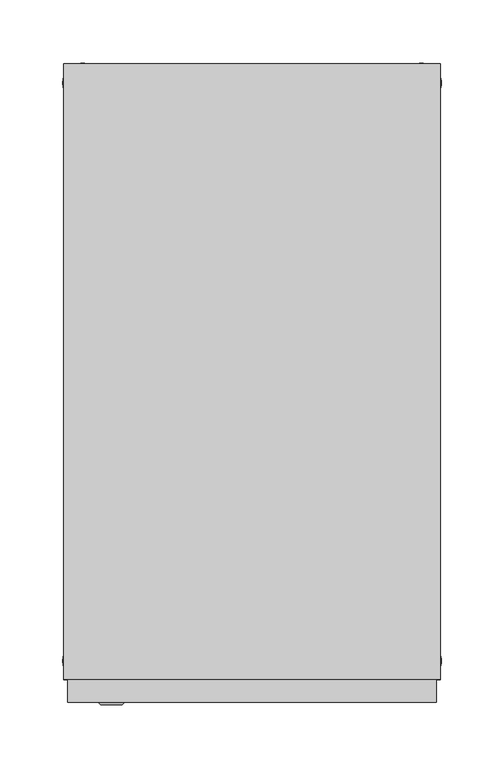
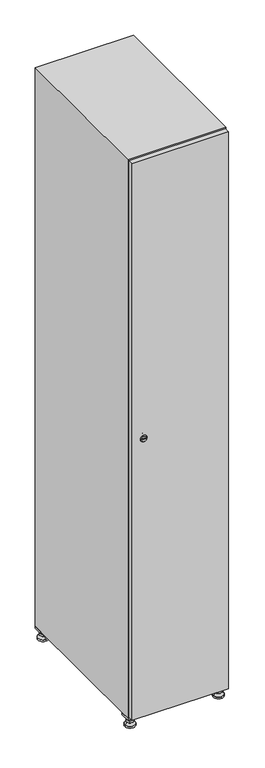
"""IFC4 building model written with IfcOpenShell, lengths in millimetres: furniture geometry."""

from ifc_helpers import new_model, si_unit, point, frame, frame_2d, origin, origin_with_axes, place, context, project, spatial, polyline, circle_curve, trimmed, segment, composite_curve, outline, extrude, faceted_brep, source, transform, mapped, element, save
from ifc_brep_helpers import plane_surface, revolved_surface, advanced_brep


def furniture_11b97132(model_context):
    return source(origin(), model_context, "Body", "SolidModel", [
        extrude(outline(polyline([(100.0, 245.0), (100.0, 215.0), (70.0, 215.0), (70.0, 245.0), (100.0, 245.0)]), holes=[polyline([(98.0, 243.0), (72.0, 243.0), (72.0, 217.0), (98.0, 217.0), (98.0, 243.0)])]), frame((0.0, 0.0, 28.5), z_axis=(0.0, 0.0, 1.0), x_axis=(1.0, 0.0, 0.0)), (0.0, 0.0, 1.0), 6.5),
        extrude(outline(polyline([(70.0, -245.0), (70.0, -215.0), (100.0, -215.0), (100.0, -245.0), (70.0, -245.0)]), holes=[polyline([(72.0, -243.0), (98.0, -243.0), (98.0, -217.0), (72.0, -217.0), (72.0, -243.0)])]), frame((0.0, 0.0, 28.5), z_axis=(0.0, 0.0, 1.0), x_axis=(1.0, 0.0, 0.0)), (0.0, 0.0, 1.0), 6.5),
        extrude(outline(polyline([(-170.0, 245.0), (-170.0, 215.0), (-200.0, 215.0), (-200.0, 245.0), (-170.0, 245.0)]), holes=[polyline([(-172.0, 243.0), (-198.0, 243.0), (-198.0, 217.0), (-172.0, 217.0), (-172.0, 243.0)])]), frame((0.0, 0.0, 28.5), z_axis=(0.0, 0.0, 1.0), x_axis=(1.0, 0.0, 0.0)), (0.0, 0.0, 1.0), 6.5),
        extrude(outline(polyline([(-170.0, -215.0), (-170.0, -245.0), (-200.0, -245.0), (-200.0, -215.0), (-170.0, -215.0)]), holes=[polyline([(-198.0, -243.0), (-172.0, -243.0), (-172.0, -217.0), (-198.0, -217.0), (-198.0, -243.0)])]), frame((0.0, 0.0, 28.5), z_axis=(0.0, 0.0, 1.0), x_axis=(1.0, 0.0, 0.0)), (0.0, 0.0, 1.0), 6.5),
        extrude(outline(composite_curve([segment(trimmed(circle_curve(frame_2d((-185.0, 230.0)), 5.0), [point((-180.0, 230.0))], [point((-190.0, 230.0))], False, "CARTESIAN"), True, "CONTINUOUS"), segment(trimmed(circle_curve(frame_2d((-185.0, 230.0)), 5.0), [point((-190.0, 230.0))], [point((-180.0, 230.0))], False, "CARTESIAN"), True, "CONTINUOUS")], self_intersect=False)), frame((0.0, 0.0, 19.6), z_axis=(0.0, 0.0, 1.0), x_axis=(1.0, 0.0, 0.0)), (0.0, 0.0, 1.0), 15.4),
        extrude(outline(composite_curve([segment(trimmed(circle_curve(frame_2d((-185.0, -230.0)), 5.0), [point((-180.0, -230.0))], [point((-190.0, -230.0))], False, "CARTESIAN"), True, "CONTINUOUS"), segment(trimmed(circle_curve(frame_2d((-185.0, -230.0)), 5.0), [point((-190.0, -230.0))], [point((-180.0, -230.0))], False, "CARTESIAN"), True, "CONTINUOUS")], self_intersect=False)), frame((0.0, 0.0, 19.6), z_axis=(0.0, 0.0, 1.0), x_axis=(1.0, 0.0, 0.0)), (0.0, 0.0, 1.0), 15.4),
        extrude(outline(composite_curve([segment(trimmed(circle_curve(frame_2d((85.0, 230.0)), 5.0), [point((90.0, 230.0))], [point((80.0, 230.0))], False, "CARTESIAN"), True, "CONTINUOUS"), segment(trimmed(circle_curve(frame_2d((85.0, 230.0)), 5.0), [point((80.0, 230.0))], [point((90.0, 230.0))], False, "CARTESIAN"), True, "CONTINUOUS")], self_intersect=False)), frame((0.0, 0.0, 19.6), z_axis=(0.0, 0.0, 1.0), x_axis=(1.0, 0.0, 0.0)), (0.0, 0.0, 1.0), 15.4),
        extrude(outline(polyline([(73.4529946, 230.0), (79.2264973, 240.0), (90.7735027, 240.0), (96.5470054, 230.0), (90.7735027, 220.0), (79.2264973, 220.0), (73.4529946, 230.0)])), frame((0.0, 0.0, 13.6), z_axis=(0.0, 0.0, 1.0), x_axis=(1.0, 0.0, 0.0)), (0.0, 0.0, 1.0), 6.0),
        extrude(outline(composite_curve([segment(trimmed(circle_curve(frame_2d((85.0, -230.0)), 5.0), [point((90.0, -230.0))], [point((80.0, -230.0))], False, "CARTESIAN"), True, "CONTINUOUS"), segment(trimmed(circle_curve(frame_2d((85.0, -230.0)), 5.0), [point((80.0, -230.0))], [point((90.0, -230.0))], False, "CARTESIAN"), True, "CONTINUOUS")], self_intersect=False)), frame((0.0, 0.0, 19.6), z_axis=(0.0, 0.0, 1.0), x_axis=(1.0, 0.0, 0.0)), (0.0, 0.0, 1.0), 15.4),
        extrude(outline(polyline([(73.4529946, -230.0), (79.2264973, -220.0), (90.7735027, -220.0), (96.5470054, -230.0), (90.7735027, -240.0), (79.2264973, -240.0), (73.4529946, -230.0)])), frame((0.0, 0.0, 13.6), z_axis=(0.0, 0.0, 1.0), x_axis=(1.0, 0.0, 0.0)), (0.0, 0.0, 1.0), 6.0),
        extrude(outline(composite_curve([segment(trimmed(circle_curve(frame_2d((85.0, 230.0)), 5.0), [point((90.0, 230.0))], [point((80.0, 230.0))], False, "CARTESIAN"), True, "CONTINUOUS"), segment(trimmed(circle_curve(frame_2d((85.0, 230.0)), 5.0), [point((80.0, 230.0))], [point((90.0, 230.0))], False, "CARTESIAN"), True, "CONTINUOUS")], self_intersect=False)), frame((0.0, 0.0, 12.1), z_axis=(0.0, 0.0, 1.0), x_axis=(1.0, 0.0, 0.0)), (0.0, 0.0, 1.0), 1.5),
        extrude(outline(composite_curve([segment(trimmed(circle_curve(frame_2d((85.0, -230.0)), 5.0), [point((90.0, -230.0))], [point((80.0, -230.0))], False, "CARTESIAN"), True, "CONTINUOUS"), segment(trimmed(circle_curve(frame_2d((85.0, -230.0)), 5.0), [point((80.0, -230.0))], [point((90.0, -230.0))], False, "CARTESIAN"), True, "CONTINUOUS")], self_intersect=False)), frame((0.0, 0.0, 12.1), z_axis=(0.0, 0.0, 1.0), x_axis=(1.0, 0.0, 0.0)), (0.0, 0.0, 1.0), 1.5),
        extrude(outline(polyline([(-196.5470054, 230.0), (-190.7735027, 240.0), (-179.2264973, 240.0), (-173.4529946, 230.0), (-179.2264973, 220.0), (-190.7735027, 220.0), (-196.5470054, 230.0)])), frame((0.0, 0.0, 13.6), z_axis=(0.0, 0.0, 1.0), x_axis=(1.0, 0.0, 0.0)), (0.0, 0.0, 1.0), 6.0),
        extrude(outline(polyline([(-196.5470054, -230.0), (-190.7735027, -220.0), (-179.2264973, -220.0), (-173.4529946, -230.0), (-179.2264973, -240.0), (-190.7735027, -240.0), (-196.5470054, -230.0)])), frame((0.0, 0.0, 13.6), z_axis=(0.0, 0.0, 1.0), x_axis=(1.0, 0.0, 0.0)), (0.0, 0.0, 1.0), 6.0),
        extrude(outline(composite_curve([segment(trimmed(circle_curve(frame_2d((-185.0, 230.0)), 5.0), [point((-185.0, 235.0))], [point((-185.0, 225.0))], False, "CARTESIAN"), True, "CONTINUOUS"), segment(trimmed(circle_curve(frame_2d((-185.0, 230.0)), 5.0), [point((-185.0, 225.0))], [point((-185.0, 235.0))], False, "CARTESIAN"), True, "CONTINUOUS")], self_intersect=False)), frame((0.0, 0.0, 12.1), z_axis=(0.0, 0.0, 1.0), x_axis=(1.0, 0.0, 0.0)), (0.0, 0.0, 1.0), 1.5),
        extrude(outline(composite_curve([segment(trimmed(circle_curve(frame_2d((-185.0, -230.0)), 5.0), [point((-180.0, -230.0))], [point((-190.0, -230.0))], False, "CARTESIAN"), True, "CONTINUOUS"), segment(trimmed(circle_curve(frame_2d((-185.0, -230.0)), 5.0), [point((-190.0, -230.0))], [point((-180.0, -230.0))], False, "CARTESIAN"), True, "CONTINUOUS")], self_intersect=False)), frame((0.0, 0.0, 12.1), z_axis=(0.0, 0.0, 1.0), x_axis=(1.0, 0.0, 0.0)), (0.0, 0.0, 1.0), 1.5),
        extrude(outline(composite_curve([segment(trimmed(circle_curve(frame_2d((85.0, 230.0)), 15.75), [point((100.75, 230.0))], [point((69.25, 230.0))], False, "CARTESIAN"), True, "CONTINUOUS"), segment(trimmed(circle_curve(frame_2d((85.0, 230.0)), 15.75), [point((69.25, 230.0))], [point((100.75, 230.0))], False, "CARTESIAN"), True, "CONTINUOUS")], self_intersect=False)), origin_with_axes(), (0.0, 0.0, 1.0), 5.1),
        extrude(outline(composite_curve([segment(trimmed(circle_curve(frame_2d((85.0, -230.0)), 15.75), [point((85.0, -214.25))], [point((85.0, -245.75))], False, "CARTESIAN"), True, "CONTINUOUS"), segment(trimmed(circle_curve(frame_2d((85.0, -230.0)), 15.75), [point((85.0, -245.75))], [point((85.0, -214.25))], False, "CARTESIAN"), True, "CONTINUOUS")], self_intersect=False)), origin_with_axes(), (0.0, 0.0, 1.0), 5.1),
        extrude(outline(composite_curve([segment(trimmed(circle_curve(frame_2d((-185.0, -230.0)), 15.75), [point((-169.25, -230.0))], [point((-200.75, -230.0))], False, "CARTESIAN"), True, "CONTINUOUS"), segment(trimmed(circle_curve(frame_2d((-185.0, -230.0)), 15.75), [point((-200.75, -230.0))], [point((-169.25, -230.0))], False, "CARTESIAN"), True, "CONTINUOUS")], self_intersect=False)), origin_with_axes(), (0.0, 0.0, 1.0), 5.1),
        extrude(outline(composite_curve([segment(trimmed(circle_curve(frame_2d((-185.0, 230.0)), 15.75), [point((-169.25, 230.0))], [point((-200.75, 230.0))], False, "CARTESIAN"), True, "CONTINUOUS"), segment(trimmed(circle_curve(frame_2d((-185.0, 230.0)), 15.75), [point((-200.75, 230.0))], [point((-169.25, 230.0))], False, "CARTESIAN"), True, "CONTINUOUS")], self_intersect=False)), origin_with_axes(), (0.0, 0.0, 1.0), 5.1),
        advanced_brep(
        [(-185.0, 239.5, 12.1), (-185.0, 220.5, 12.1), (-185.0, 214.25, 5.1), (-185.0, 245.75, 5.1)],
        [
            (0, 1, circle_curve(frame((-185.0, 230.0, 12.1), z_axis=(0.0, 0.0, -1.0), x_axis=(0.0, 1.0, 0.0)), 9.5)),
            (1, 2),
            (2, 3, circle_curve(frame((-185.0, 230.0, 5.1), z_axis=(0.0, 0.0, 1.0), x_axis=(0.0, 1.0, 0.0)), 15.75)),
            (3, 0),
            (1, 0, circle_curve(frame((-185.0, 230.0, 12.1), z_axis=(0.0, 0.0, -1.0), x_axis=(0.0, -1.0, 0.0)), 9.5)),
            (3, 2, circle_curve(frame((-185.0, 230.0, 5.1), z_axis=(0.0, 0.0, 1.0), x_axis=(0.0, -1.0, 0.0)), 15.75)),
        ],
        [
            revolved_surface(polyline([(-185.0, 220.5, 12.099999999999998), (-185.0, 214.25, 5.099999999999998)]), (-185.0, 230.0, 22.74), (0.0, 0.0, -1.0)),
            revolved_surface(polyline([(-185.0, 239.5, 12.099999999999998), (-185.0, 245.75, 5.099999999999998)]), (-185.0, 230.0, 22.74), (0.0, 0.0, -1.0)),
            plane_surface(frame((-185.0, 230.0, 5.1), z_axis=(0.0, 0.0, -1.0), x_axis=(1.0, 0.0, 0.0))),
            plane_surface(frame((-185.0, 230.0, 12.1), z_axis=(0.0, 0.0, 1.0), x_axis=(1.0, 0.0, 0.0))),
        ],
        [
            (0, [[1, 2, 3, 4]]),
            (1, [[5, -4, 6, -2]]),
            (2, [[-3, -6]]),
            (3, [[-5, -1]]),
        ],
    ),
        advanced_brep(
        [(85.0, 239.5, 12.1), (85.0, 220.5, 12.1), (85.0, 214.25, 5.1), (85.0, 245.75, 5.1)],
        [
            (0, 1, circle_curve(frame((85.0, 230.0, 12.1), z_axis=(0.0, 0.0, -1.0), x_axis=(0.0, 1.0, 0.0)), 9.5)),
            (1, 2),
            (2, 3, circle_curve(frame((85.0, 230.0, 5.1), z_axis=(0.0, 0.0, 1.0), x_axis=(0.0, 1.0, 0.0)), 15.75)),
            (3, 0),
            (1, 0, circle_curve(frame((85.0, 230.0, 12.1), z_axis=(0.0, 0.0, -1.0), x_axis=(0.0, -1.0, 0.0)), 9.5)),
            (3, 2, circle_curve(frame((85.0, 230.0, 5.1), z_axis=(0.0, 0.0, 1.0), x_axis=(0.0, -1.0, 0.0)), 15.75)),
        ],
        [
            revolved_surface(polyline([(85.0, 220.5, 12.099999999999998), (85.0, 214.25, 5.099999999999998)]), (85.0, 230.0, 22.74), (0.0, 0.0, -1.0)),
            revolved_surface(polyline([(85.0, 239.5, 12.099999999999998), (85.0, 245.75, 5.099999999999998)]), (85.0, 230.0, 22.74), (0.0, 0.0, -1.0)),
            plane_surface(frame((85.0, 230.0, 5.1), z_axis=(0.0, 0.0, -1.0), x_axis=(1.0, 0.0, 0.0))),
            plane_surface(frame((85.0, 230.0, 12.1), z_axis=(0.0, 0.0, 1.0), x_axis=(1.0, 0.0, 0.0))),
        ],
        [
            (0, [[1, 2, 3, 4]]),
            (1, [[5, -4, 6, -2]]),
            (2, [[-3, -6]]),
            (3, [[-5, -1]]),
        ],
    ),
        advanced_brep(
        [(100.75, -230.0, 5.1), (69.25, -230.0, 5.1), (75.5, -230.0, 12.1), (94.5, -230.0, 12.1)],
        [
            (0, 1, circle_curve(frame((85.0, -230.0, 5.1), z_axis=(0.0, 0.0, 1.0), x_axis=(1.0, 0.0, 0.0)), 15.75)),
            (1, 2),
            (2, 3, circle_curve(frame((85.0, -230.0, 12.1), z_axis=(0.0, 0.0, -1.0), x_axis=(1.0, 0.0, 0.0)), 9.5)),
            (3, 0),
            (1, 0, circle_curve(frame((85.0, -230.0, 5.1), z_axis=(0.0, 0.0, 1.0), x_axis=(-1.0, 0.0, 0.0)), 15.75)),
            (3, 2, circle_curve(frame((85.0, -230.0, 12.1), z_axis=(0.0, 0.0, -1.0), x_axis=(-1.0, 0.0, 0.0)), 9.5)),
        ],
        [
            revolved_surface(polyline([(94.5, -230.0, 12.099999999999998), (100.75, -230.0, 5.099999999999998)]), (85.0, -230.0, 22.74), (0.0, 0.0, -1.0)),
            revolved_surface(polyline([(75.5, -230.0, 12.099999999999998), (69.25, -230.0, 5.099999999999998)]), (85.0, -230.0, 22.74), (0.0, 0.0, -1.0)),
            plane_surface(frame((85.0, -230.0, 12.1), z_axis=(0.0, 0.0, 1.0), x_axis=(0.0, 1.0, 0.0))),
            plane_surface(frame((85.0, -230.0, 5.1), z_axis=(0.0, 0.0, -1.0), x_axis=(0.0, 1.0, 0.0))),
        ],
        [
            (0, [[1, 2, 3, 4]]),
            (1, [[5, -4, 6, -2]]),
            (2, [[-3, -6]]),
            (3, [[-5, -1]]),
        ],
    ),
        advanced_brep(
        [(-169.25, -230.0, 5.1), (-200.75, -230.0, 5.1), (-194.5, -230.0, 12.1), (-175.5, -230.0, 12.1)],
        [
            (0, 1, circle_curve(frame((-185.0, -230.0, 5.1), z_axis=(0.0, 0.0, 1.0), x_axis=(1.0, 0.0, 0.0)), 15.75)),
            (1, 2),
            (2, 3, circle_curve(frame((-185.0, -230.0, 12.1), z_axis=(0.0, 0.0, -1.0), x_axis=(1.0, 0.0, 0.0)), 9.5)),
            (3, 0),
            (1, 0, circle_curve(frame((-185.0, -230.0, 5.1), z_axis=(0.0, 0.0, 1.0), x_axis=(-1.0, 0.0, 0.0)), 15.75)),
            (3, 2, circle_curve(frame((-185.0, -230.0, 12.1), z_axis=(0.0, 0.0, -1.0), x_axis=(-1.0, 0.0, 0.0)), 9.5)),
        ],
        [
            revolved_surface(polyline([(-175.5, -230.0, 12.099999999999998), (-169.25, -230.0, 5.099999999999998)]), (-185.0, -230.0, 22.74), (0.0, 0.0, -1.0)),
            revolved_surface(polyline([(-194.5, -230.0, 12.099999999999998), (-200.75, -230.0, 5.099999999999998)]), (-185.0, -230.0, 22.74), (0.0, 0.0, -1.0)),
            plane_surface(frame((-185.0, -230.0, 12.1), z_axis=(0.0, 0.0, 1.0), x_axis=(0.0, 1.0, 0.0))),
            plane_surface(frame((-185.0, -230.0, 5.1), z_axis=(0.0, 0.0, -1.0), x_axis=(0.0, 1.0, 0.0))),
        ],
        [
            (0, [[1, 2, 3, 4]]),
            (1, [[5, -4, 6, -2]]),
            (2, [[-3, -6]]),
            (3, [[-5, -1]]),
        ],
    ),
        extrude(outline(composite_curve([segment(trimmed(circle_curve(frame_2d((935.0, -188.7989466)), 7.0), [point((942.0, -188.7989466))], [point((928.0, -188.7989466))], False, "CARTESIAN"), True, "CONTINUOUS"), segment(polyline([(928.0, -188.7989466), (928.0, -160.7989466)]), True, "CONTINUOUS"), segment(trimmed(circle_curve(frame_2d((935.0, -160.7989466)), 7.0), [point((928.0, -160.7989466))], [point((942.0, -160.7989466))], False, "CARTESIAN"), True, "CONTINUOUS"), segment(polyline([(942.0, -160.7989466), (942.0, -188.7989466)]), True, "CONTINUOUS")], self_intersect=False)), frame((0.0, -245.0, 0.0), z_axis=(0.0, 1.0, 0.0), x_axis=(0.0, 0.0, 1.0)), (0.0, 0.0, 1.0), 2.0),
        advanced_brep(
        [(-153.5, -265.2, 935.0), (-170.5, -265.2, 935.0), (-167.0, -265.2, 933.75), (-167.0, -265.2, 936.25), (-157.0, -265.2, 936.25), (-157.0, -265.2, 933.75), (-151.5, -263.0, 935.0), (-172.5, -263.0, 935.0), (-167.0, -263.0, 936.25), (-167.0, -263.0, 933.75), (-157.0, -263.0, 933.75), (-157.0, -263.0, 936.25)],
        [
            (0, 1, circle_curve(frame((-162.0, -265.2, 935.0), z_axis=(0.0, -1.0, 0.0), x_axis=(1.0, 0.0, 0.0)), 8.5)),
            (1, 0, circle_curve(frame((-162.0, -265.2, 935.0), z_axis=(0.0, -1.0, 0.0), x_axis=(-1.0, 0.0, 0.0)), 8.5)),
            (2, 3),
            (3, 4),
            (4, 5),
            (5, 2),
            (6, 7, circle_curve(frame((-162.0, -263.0, 935.0), z_axis=(0.0, 1.0, 0.0), x_axis=(-1.0, 0.0, 0.0)), 10.5)),
            (7, 6, circle_curve(frame((-162.0, -263.0, 935.0), z_axis=(0.0, 1.0, 0.0), x_axis=(1.0, 0.0, 0.0)), 10.5)),
            (8, 9),
            (9, 10),
            (10, 11),
            (11, 8),
            (0, 6),
            (7, 1),
            (8, 3),
            (2, 9),
            (11, 4),
            (10, 5),
        ],
        [
            plane_surface(frame((-162.0, -265.2, 935.0), z_axis=(0.0, -1.0, 0.0), x_axis=(0.0, 0.0, 1.0))),
            plane_surface(frame((-162.0, -263.0, 935.0), z_axis=(0.0, 1.0, 0.0), x_axis=(0.0, 0.0, 1.0))),
            revolved_surface(polyline([(-153.5, -265.2, 935.0), (-151.5, -263.0, 935.0)]), (-162.0, -274.55, 935.0), (0.0, 1.0, 0.0)),
            revolved_surface(polyline([(-170.5, -265.2, 935.0), (-172.5, -263.0, 935.0)]), (-162.0, -274.55, 935.0), (0.0, 1.0, 0.0)),
            plane_surface(frame((-167.0, -263.0, 933.75), z_axis=(1.0, 0.0, 0.0), x_axis=(0.0, -1.0, 0.0))),
            plane_surface(frame((-167.0, -263.0, 936.25), z_axis=(0.0, 0.0, -1.0), x_axis=(0.0, -1.0, 0.0))),
            plane_surface(frame((-157.0, -263.0, 936.25), z_axis=(-1.0, 0.0, 0.0), x_axis=(0.0, -1.0, 0.0))),
            plane_surface(frame((-157.0, -263.0, 933.75), z_axis=(0.0, 0.0, 1.0), x_axis=(0.0, -1.0, 0.0))),
        ],
        [
            (0, [[1, 2], [3, 4, 5, 6]]),
            (1, [[7, 8], [9, 10, 11, 12]]),
            (2, [[-1, 13, -8, 14]]),
            (3, [[-2, -14, -7, -13]]),
            (4, [[15, -3, 16, -9]]),
            (5, [[-15, -12, 17, -4]]),
            (6, [[-17, -11, 18, -5]]),
            (7, [[-16, -6, -18, -10]]),
        ],
    ),
        extrude(outline(polyline([(97.0, -245.0), (97.0, -263.0), (-197.0, -263.0), (-197.0, -245.0), (97.0, -245.0)])), frame((0.0, 0.0, 38.0), z_axis=(0.0, 0.0, 1.0), x_axis=(1.0, 0.0, 0.0)), (0.0, 0.0, 1.0), 1794.0),
        faceted_brep([(100.0, -245.0, 35.0), (100.0, -245.0, 1835.0), (-200.0, -245.0, 1835.0), (-200.0, -245.0, 35.0), (79.6, -245.0, 1804.8), (79.6, -245.0, 65.2), (-179.6, -245.0, 65.2), (-179.6, -245.0, 1804.8), (100.0, 245.0, 35.0), (-200.0, 245.0, 35.0), (100.0, 245.0, 1835.0), (-200.0, 245.0, 1835.0), (79.6, 242.0, 1804.8), (79.6, 242.0, 65.2), (-200.0, 245.0, 1804.8), (-179.6, 242.0, 1804.8), (-179.6, 242.0, 65.2)], [[[0, 1, 2, 3], [4, 5, 6, 7]], [[8, 0, 3, 9]], [[1, 0, 8, 10]], [[1, 10, 11, 2]], [[4, 12, 13, 5]], [[9, 3, 2, 11, 14]], [[10, 8, 9, 14, 11]], [[12, 15, 16, 13]], [[15, 7, 6, 16]], [[4, 7, 15, 12]], [[6, 5, 13, 16]]]),
    ])


if __name__ == "__main__":
    model = new_model("IFC4")
    model_context = context("Model", 3, world=origin())
    ifc_project = project(units=[si_unit("LENGTHUNIT", "METRE", prefix="MILLI")], contexts=[model_context])
    site = spatial("IfcSite", under=ifc_project)
    building = spatial("IfcBuilding", under=site)
    placement = place(None, origin())
    furniture_shape = furniture_11b97132(model_context)
    element("IfcFurniture", 1, at=placement, inside=building, context=model_context, shape_type="MappedRepresentation", body=[
        mapped(furniture_shape, transform((0.0, 0.0, 0.0), x_axis=(1.0, 0.0, 0.0), y_axis=(0.0, 1.0, 0.0), z_axis=(0.0, 0.0, 1.0))),
    ])
    save(model, "model.ifc")
